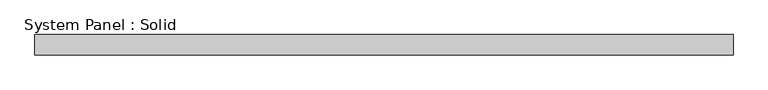
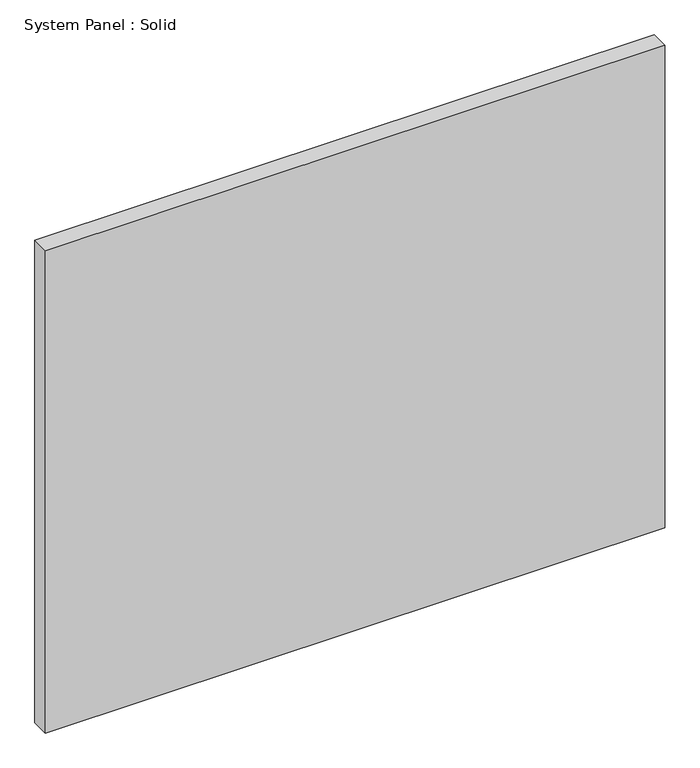
"""IFC4 building model written with IfcOpenShell, lengths in millimetres: plate geometry, System Panel : Solid."""

from ifc_helpers import new_model, si_unit, origin, origin_with_axes, place, context, project, spatial, polyline, outline, extrude, source, transform, mapped, element, save


def system_panel_solid_c4c1aafa(model_context):
    return source(origin(), model_context, "Body", "SweptSolid", [
        extrude(outline(polyline([(850.0000001, -25.0), (-850.0000001, -25.0), (-850.0000001, 25.0), (850.0000001, 25.0), (850.0000001, -25.0)])), origin_with_axes(), (0.0, 0.0, 1.0), 1400.0),
    ])


if __name__ == "__main__":
    model = new_model("IFC4")
    model_context = context("Model", 3, world=origin())
    ifc_project = project(units=[si_unit("LENGTHUNIT", "METRE", prefix="MILLI")], contexts=[model_context])
    site = spatial("IfcSite", under=ifc_project)
    building = spatial("IfcBuilding", under=site)
    placement = place(None, origin())
    system_panel_solid_shape = system_panel_solid_c4c1aafa(model_context)
    element("IfcPlate", 1, ObjectType="System Panel : Solid", at=placement, inside=building, context=model_context, shape_type="MappedRepresentation", body=[
        mapped(system_panel_solid_shape, transform((0.0, 0.0, 0.0), x_axis=(1.0, 0.0, 0.0), y_axis=(0.0, 1.0, 0.0), z_axis=(0.0, 0.0, 1.0))),
    ])
    save(model, "model.ifc")
